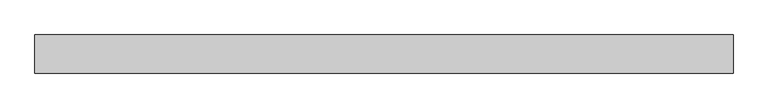
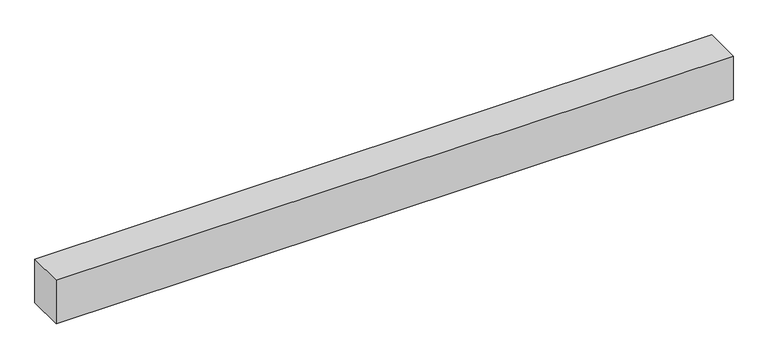
"""IFC4 building model written with IfcOpenShell, lengths in millimetres: proxy geometry."""

from ifc_helpers import new_model, si_unit, origin, origin_with_axes, place, context, project, spatial, polyline, outline, extrude, source, transform, mapped, element, save


def generic_models_72e76dcf(model_context):
    return source(origin(), model_context, "Body", "SweptSolid", [
        extrude(outline(polyline([(1464.2640687, -40.0), (0.0, -40.0), (0.0, 40.0), (1464.2640687, 40.0), (1464.2640687, -40.0)])), origin_with_axes(), (0.0, 0.0, 1.0), 100.0),
    ])


if __name__ == "__main__":
    model = new_model("IFC4")
    model_context = context("Model", 3, world=origin())
    ifc_project = project(units=[si_unit("LENGTHUNIT", "METRE", prefix="MILLI")], contexts=[model_context])
    site = spatial("IfcSite", under=ifc_project)
    building = spatial("IfcBuilding", under=site)
    placement = place(None, origin())
    generic_models_shape = generic_models_72e76dcf(model_context)
    element("IfcBuildingElementProxy", 1, Name="Generic Models", at=placement, inside=building, context=model_context, shape_type="MappedRepresentation", body=[
        mapped(generic_models_shape, transform((0.0, 0.0, 0.0), x_axis=(1.0, 0.0, 0.0), y_axis=(0.0, 1.0, 0.0), z_axis=(0.0, 0.0, 1.0))),
    ])
    save(model, "model.ifc")
